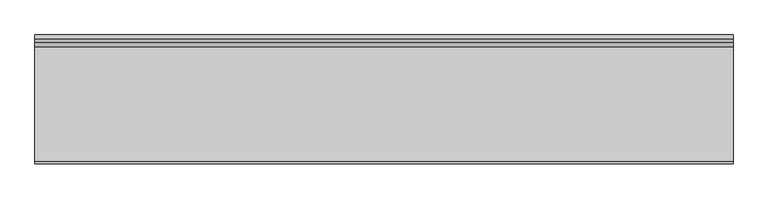
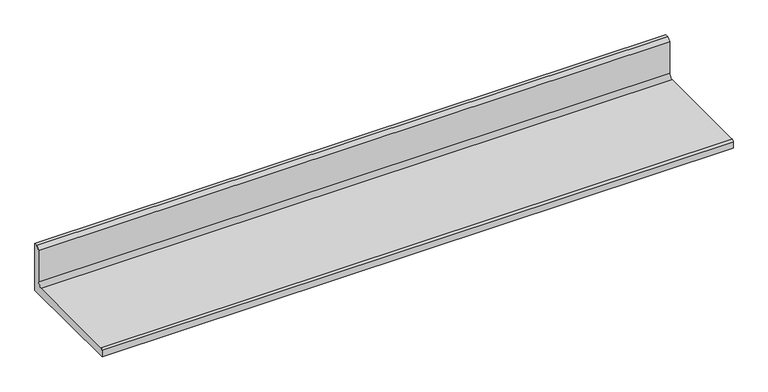
"""IFC4 building model written with IfcOpenShell, lengths in millimetres: furniture geometry."""

from ifc_helpers import new_model, si_unit, point, frame, frame_2d, origin, place, context, project, spatial, polyline, circle_curve, trimmed, segment, composite_curve, outline, extrude, source, transform, mapped, element, save


def furniture_5d8ea2cc(model_context):
    return source(origin(), model_context, "Body", "SweptSolid", [
        extrude(outline(composite_curve([segment(polyline([(168.529, 1106.297), (168.529, 962.66508), (-168.529, 962.66508), (-168.529, 982.47708)]), True, "CONTINUOUS"), segment(trimmed(circle_curve(frame_2d((-162.941, 982.47708)), 5.588), [point((-168.529, 982.47708))], [point((-162.941, 988.06508))], False, "CARTESIAN"), True, "CONTINUOUS"), segment(polyline([(-162.941, 988.06508), (136.271, 988.06508)]), True, "CONTINUOUS"), segment(trimmed(circle_curve(frame_2d((136.271, 1000.76508)), 12.7), [point((136.271, 988.06508))], [point((148.971, 1000.76508))], True, "CARTESIAN"), True, "CONTINUOUS"), segment(polyline([(148.971, 1000.76508), (148.971, 1096.772), (158.496, 1106.297), (168.529, 1106.297)]), True, "CONTINUOUS")], self_intersect=False)), frame((-914.4, 0.0, 0.0), z_axis=(1.0, 0.0, 0.0), x_axis=(0.0, 1.0, 0.0)), (0.0, 0.0, 1.0), 1828.8),
    ])


if __name__ == "__main__":
    model = new_model("IFC4")
    model_context = context("Model", 3, world=origin())
    ifc_project = project(units=[si_unit("LENGTHUNIT", "METRE", prefix="MILLI")], contexts=[model_context])
    site = spatial("IfcSite", under=ifc_project)
    building = spatial("IfcBuilding", under=site)
    placement = place(None, origin())
    furniture_shape = furniture_5d8ea2cc(model_context)
    element("IfcFurniture", 1, at=placement, inside=building, context=model_context, shape_type="MappedRepresentation", body=[
        mapped(furniture_shape, transform((0.0, 0.0, 0.0), x_axis=(1.0, 0.0, 0.0), y_axis=(0.0, 1.0, 0.0), z_axis=(0.0, 0.0, 1.0))),
    ])
    save(model, "model.ifc")
